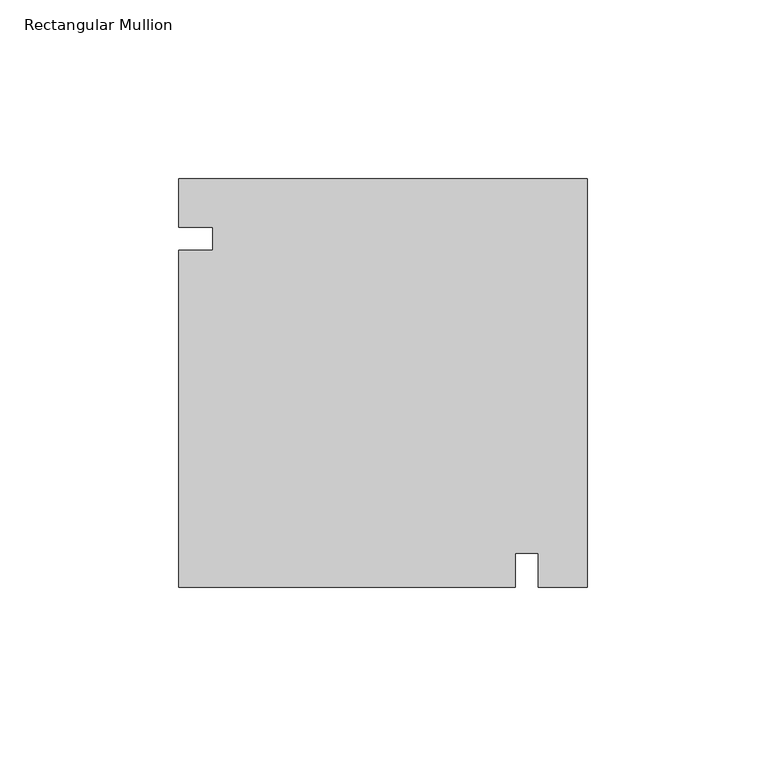
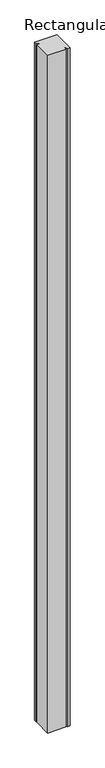
"""IFC4 building model written with IfcOpenShell, lengths in millimetres: member geometry, Rectangular Mullion."""

from ifc_helpers import new_model, si_unit, frame, origin, place, context, project, spatial, polyline, outline, extrude, source, transform, mapped, element, save


def rectangular_mullion_6039bbc9(model_context):
    return source(origin(), model_context, "Body", "SweptSolid", [
        extrude(outline(polyline([(0.0, 57.15), (-13.6188108, 57.15), (-13.6188108, 66.675), (-20.0590492, 66.675), (-20.0590492, 57.15), (-114.3, 57.15), (-114.3, 151.3909508), (-104.775, 151.3909508), (-104.775, 157.8311892), (-114.3, 157.8311892), (-114.3, 171.45), (0.0, 171.45), (0.0, 57.15)])), frame((0.0, 0.0, -3657.6), z_axis=(0.0, 0.0, 1.0), x_axis=(1.0, 0.0, 0.0)), (0.0, 0.0, 1.0), 3657.6),
    ])


if __name__ == "__main__":
    model = new_model("IFC4")
    model_context = context("Model", 3, world=origin())
    ifc_project = project(units=[si_unit("LENGTHUNIT", "METRE", prefix="MILLI")], contexts=[model_context])
    site = spatial("IfcSite", under=ifc_project)
    building = spatial("IfcBuilding", under=site)
    placement = place(None, origin())
    rectangular_mullion_shape = rectangular_mullion_6039bbc9(model_context)
    element("IfcMember", 1, ObjectType="Rectangular Mullion", at=placement, inside=building, context=model_context, shape_type="MappedRepresentation", body=[
        mapped(rectangular_mullion_shape, transform((0.0, 0.0, 0.0), x_axis=(1.0, 0.0, 0.0), y_axis=(0.0, 1.0, 0.0), z_axis=(0.0, 0.0, 1.0))),
    ])
    save(model, "model.ifc")
